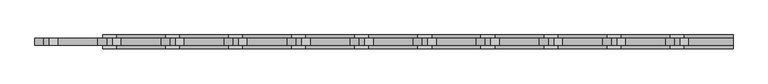
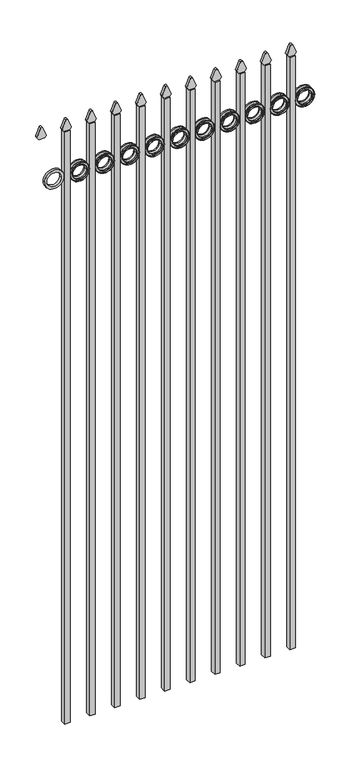
"""IFC4 building model written with IfcOpenShell, lengths in millimetres: railing geometry."""

from ifc_helpers import new_model, si_unit, point, frame, frame_2d, origin, place, context, project, spatial, polyline, circle_curve, trimmed, segment, composite_curve, outline, extrude, source, transform, mapped, element, save


def railing_f98f0d34(model_context):
    return source(origin(), model_context, "Body", "SweptSolid", [
        extrude(outline(composite_curve([segment(polyline([(2988.6798417, -22591.9399936), (2988.6798417, -22566.2493116)]), True, "CONTINUOUS"), segment(trimmed(circle_curve(frame_2d((3006.9299402, -22580.4122336)), 23.1009622), [point((2988.6798417, -22566.2493116))], [point((3001.4676176, -22557.9663545))], False, "CARTESIAN"), True, "CONTINUOUS"), segment(polyline([(3001.4676176, -22557.9663545), (3041.9555225, -22574.2855644)]), True, "CONTINUOUS"), segment(trimmed(circle_curve(frame_2d((3038.8045804, -22579.4155764)), 6.0204202), [point((3041.9555225, -22574.2855644))], [point((3041.9555225, -22584.5455884))], False, "CARTESIAN"), True, "CONTINUOUS"), segment(polyline([(3041.9555225, -22584.5455884), (3002.7339948, -22600.4937724)]), True, "CONTINUOUS"), segment(trimmed(circle_curve(frame_2d((3006.9299402, -22577.7770716)), 23.1009622), [point((3002.7339948, -22600.4937724))], [point((2988.6798417, -22591.9399936))], False, "CARTESIAN"), True, "CONTINUOUS")], self_intersect=False)), frame((0.0, 4266.569541, 0.0), z_axis=(0.0, 1.0, 0.0), x_axis=(0.0, 0.0, 1.0)), (0.0, 0.0, 1.0), 12.7),
        extrude(outline(composite_curve([segment(trimmed(circle_curve(frame_2d((2766.1853669, -22520.4442595)), 45.6988591), [point((2766.1853669, -22474.7454004))], [point((2766.1853669, -22566.1431186))], False, "CARTESIAN"), True, "CONTINUOUS"), segment(trimmed(circle_curve(frame_2d((2766.1853669, -22520.4442595)), 45.6988591), [point((2766.1853669, -22566.1431186))], [point((2766.1853669, -22474.7454004))], False, "CARTESIAN"), True, "CONTINUOUS")], self_intersect=False), holes=[composite_curve([segment(trimmed(circle_curve(frame_2d((2766.1853669, -22520.4442595)), 33.0443887), [point((2766.1853669, -22487.3998708))], [point((2766.1853669, -22553.4886482))], True, "CARTESIAN"), True, "CONTINUOUS"), segment(trimmed(circle_curve(frame_2d((2766.1853669, -22520.4442595)), 33.0443887), [point((2766.1853669, -22553.4886482))], [point((2766.1853669, -22487.3998708))], True, "CARTESIAN"), True, "CONTINUOUS")], self_intersect=False)]), frame((0.0, 4266.569541, 0.0), z_axis=(0.0, 1.0, 0.0), x_axis=(0.0, 0.0, 1.0)), (0.0, 0.0, 1.0), 12.7),
        extrude(outline(polyline([(-22591.9399936, 4285.619541), (-22566.5399936, 4285.619541), (-22566.5399936, 4260.219541), (-22591.9399936, 4260.219541), (-22591.9399936, 4285.619541)])), frame((0.0, 0.0, 50.8), z_axis=(0.0, 0.0, 1.0), x_axis=(1.0, 0.0, 0.0)), (0.0, 0.0, 1.0), 2937.6579232),
        extrude(outline(composite_curve([segment(trimmed(circle_curve(frame_2d((2766.1853669, -22520.4442595)), 45.6988591), [point((2766.1853669, -22474.7454004))], [point((2766.1853669, -22566.1431186))], False, "CARTESIAN"), True, "CONTINUOUS"), segment(trimmed(circle_curve(frame_2d((2766.1853669, -22520.4442595)), 45.6988591), [point((2766.1853669, -22566.1431186))], [point((2766.1853669, -22474.7454004))], False, "CARTESIAN"), True, "CONTINUOUS")], self_intersect=False), holes=[composite_curve([segment(trimmed(circle_curve(frame_2d((2766.1853669, -22520.4442595)), 44.101539), [point((2766.1853669, -22476.3427205))], [point((2766.1853669, -22564.5457985))], True, "CARTESIAN"), True, "CONTINUOUS"), segment(trimmed(circle_curve(frame_2d((2766.1853669, -22520.4442595)), 44.101539), [point((2766.1853669, -22564.5457985))], [point((2766.1853669, -22476.3427205))], True, "CARTESIAN"), True, "CONTINUOUS")], self_intersect=False)]), frame((0.0, 4260.219541, 0.0), z_axis=(0.0, 1.0, 0.0), x_axis=(0.0, 0.0, 1.0)), (0.0, 0.0, 1.0), 25.4),
        extrude(outline(composite_curve([segment(trimmed(circle_curve(frame_2d((2766.1853669, -22520.4442595)), 34.6370762), [point((2766.1853669, -22485.8071833))], [point((2766.1853669, -22555.0813357))], False, "CARTESIAN"), True, "CONTINUOUS"), segment(trimmed(circle_curve(frame_2d((2766.1853669, -22520.4442595)), 34.6370762), [point((2766.1853669, -22555.0813357))], [point((2766.1853669, -22485.8071833))], False, "CARTESIAN"), True, "CONTINUOUS")], self_intersect=False), holes=[composite_curve([segment(trimmed(circle_curve(frame_2d((2766.1853669, -22520.4442595)), 33.0443887), [point((2766.1853669, -22487.3998708))], [point((2766.1853669, -22553.4886482))], True, "CARTESIAN"), True, "CONTINUOUS"), segment(trimmed(circle_curve(frame_2d((2766.1853669, -22520.4442595)), 33.0443887), [point((2766.1853669, -22553.4886482))], [point((2766.1853669, -22487.3998708))], True, "CARTESIAN"), True, "CONTINUOUS")], self_intersect=False)]), frame((0.0, 4260.219541, 0.0), z_axis=(0.0, 1.0, 0.0), x_axis=(0.0, 0.0, 1.0)), (0.0, 0.0, 1.0), 25.4),
        extrude(outline(composite_curve([segment(polyline([(2988.6798417, -22709.4149936), (2988.6798417, -22683.7243116)]), True, "CONTINUOUS"), segment(trimmed(circle_curve(frame_2d((3006.9299402, -22697.8872336)), 23.1009622), [point((2988.6798417, -22683.7243116))], [point((3001.4676176, -22675.4413545))], False, "CARTESIAN"), True, "CONTINUOUS"), segment(polyline([(3001.4676176, -22675.4413545), (3041.9555225, -22691.7605644)]), True, "CONTINUOUS"), segment(trimmed(circle_curve(frame_2d((3038.8045804, -22696.8905764)), 6.0204202), [point((3041.9555225, -22691.7605644))], [point((3041.9555225, -22702.0205884))], False, "CARTESIAN"), True, "CONTINUOUS"), segment(polyline([(3041.9555225, -22702.0205884), (3002.7339948, -22717.9687724)]), True, "CONTINUOUS"), segment(trimmed(circle_curve(frame_2d((3006.9299402, -22695.2520716)), 23.1009622), [point((3002.7339948, -22717.9687724))], [point((2988.6798417, -22709.4149936))], False, "CARTESIAN"), True, "CONTINUOUS")], self_intersect=False)), frame((0.0, 4266.569541, 0.0), z_axis=(0.0, 1.0, 0.0), x_axis=(0.0, 0.0, 1.0)), (0.0, 0.0, 1.0), 12.7),
        extrude(outline(composite_curve([segment(trimmed(circle_curve(frame_2d((2766.1853669, -22637.9192595)), 45.6988591), [point((2766.1853669, -22592.2204004))], [point((2766.1853669, -22683.6181186))], False, "CARTESIAN"), True, "CONTINUOUS"), segment(trimmed(circle_curve(frame_2d((2766.1853669, -22637.9192595)), 45.6988591), [point((2766.1853669, -22683.6181186))], [point((2766.1853669, -22592.2204004))], False, "CARTESIAN"), True, "CONTINUOUS")], self_intersect=False), holes=[composite_curve([segment(trimmed(circle_curve(frame_2d((2766.1853669, -22637.9192595)), 33.0443887), [point((2766.1853669, -22604.8748708))], [point((2766.1853669, -22670.9636482))], True, "CARTESIAN"), True, "CONTINUOUS"), segment(trimmed(circle_curve(frame_2d((2766.1853669, -22637.9192595)), 33.0443887), [point((2766.1853669, -22670.9636482))], [point((2766.1853669, -22604.8748708))], True, "CARTESIAN"), True, "CONTINUOUS")], self_intersect=False)]), frame((0.0, 4266.569541, 0.0), z_axis=(0.0, 1.0, 0.0), x_axis=(0.0, 0.0, 1.0)), (0.0, 0.0, 1.0), 12.7),
        extrude(outline(polyline([(-22709.4149936, 4285.619541), (-22684.0149936, 4285.619541), (-22684.0149936, 4260.219541), (-22709.4149936, 4260.219541), (-22709.4149936, 4285.619541)])), frame((0.0, 0.0, 50.8), z_axis=(0.0, 0.0, 1.0), x_axis=(1.0, 0.0, 0.0)), (0.0, 0.0, 1.0), 2937.6579232),
        extrude(outline(composite_curve([segment(trimmed(circle_curve(frame_2d((2766.1853669, -22637.9192595)), 45.6988591), [point((2766.1853669, -22592.2204004))], [point((2766.1853669, -22683.6181186))], False, "CARTESIAN"), True, "CONTINUOUS"), segment(trimmed(circle_curve(frame_2d((2766.1853669, -22637.9192595)), 45.6988591), [point((2766.1853669, -22683.6181186))], [point((2766.1853669, -22592.2204004))], False, "CARTESIAN"), True, "CONTINUOUS")], self_intersect=False), holes=[composite_curve([segment(trimmed(circle_curve(frame_2d((2766.1853669, -22637.9192595)), 44.101539), [point((2766.1853669, -22593.8177205))], [point((2766.1853669, -22682.0207985))], True, "CARTESIAN"), True, "CONTINUOUS"), segment(trimmed(circle_curve(frame_2d((2766.1853669, -22637.9192595)), 44.101539), [point((2766.1853669, -22682.0207985))], [point((2766.1853669, -22593.8177205))], True, "CARTESIAN"), True, "CONTINUOUS")], self_intersect=False)]), frame((0.0, 4260.219541, 0.0), z_axis=(0.0, 1.0, 0.0), x_axis=(0.0, 0.0, 1.0)), (0.0, 0.0, 1.0), 25.4),
        extrude(outline(composite_curve([segment(trimmed(circle_curve(frame_2d((2766.1853669, -22637.9192595)), 34.6370762), [point((2766.1853669, -22603.2821833))], [point((2766.1853669, -22672.5563357))], False, "CARTESIAN"), True, "CONTINUOUS"), segment(trimmed(circle_curve(frame_2d((2766.1853669, -22637.9192595)), 34.6370762), [point((2766.1853669, -22672.5563357))], [point((2766.1853669, -22603.2821833))], False, "CARTESIAN"), True, "CONTINUOUS")], self_intersect=False), holes=[composite_curve([segment(trimmed(circle_curve(frame_2d((2766.1853669, -22637.9192595)), 33.0443887), [point((2766.1853669, -22604.8748708))], [point((2766.1853669, -22670.9636482))], True, "CARTESIAN"), True, "CONTINUOUS"), segment(trimmed(circle_curve(frame_2d((2766.1853669, -22637.9192595)), 33.0443887), [point((2766.1853669, -22670.9636482))], [point((2766.1853669, -22604.8748708))], True, "CARTESIAN"), True, "CONTINUOUS")], self_intersect=False)]), frame((0.0, 4260.219541, 0.0), z_axis=(0.0, 1.0, 0.0), x_axis=(0.0, 0.0, 1.0)), (0.0, 0.0, 1.0), 25.4),
        extrude(outline(composite_curve([segment(polyline([(2988.6798417, -22826.8899936), (2988.6798417, -22801.1993116)]), True, "CONTINUOUS"), segment(trimmed(circle_curve(frame_2d((3006.9299402, -22815.3622336)), 23.1009622), [point((2988.6798417, -22801.1993116))], [point((3001.4676176, -22792.9163545))], False, "CARTESIAN"), True, "CONTINUOUS"), segment(polyline([(3001.4676176, -22792.9163545), (3041.9555225, -22809.2355644)]), True, "CONTINUOUS"), segment(trimmed(circle_curve(frame_2d((3038.8045804, -22814.3655764)), 6.0204202), [point((3041.9555225, -22809.2355644))], [point((3041.9555225, -22819.4955884))], False, "CARTESIAN"), True, "CONTINUOUS"), segment(polyline([(3041.9555225, -22819.4955884), (3002.7339948, -22835.4437724)]), True, "CONTINUOUS"), segment(trimmed(circle_curve(frame_2d((3006.9299402, -22812.7270716)), 23.1009622), [point((3002.7339948, -22835.4437724))], [point((2988.6798417, -22826.8899936))], False, "CARTESIAN"), True, "CONTINUOUS")], self_intersect=False)), frame((0.0, 4266.569541, 0.0), z_axis=(0.0, 1.0, 0.0), x_axis=(0.0, 0.0, 1.0)), (0.0, 0.0, 1.0), 12.7),
        extrude(outline(composite_curve([segment(trimmed(circle_curve(frame_2d((2766.1853669, -22755.3942595)), 45.6988591), [point((2766.1853669, -22709.6954004))], [point((2766.1853669, -22801.0931186))], False, "CARTESIAN"), True, "CONTINUOUS"), segment(trimmed(circle_curve(frame_2d((2766.1853669, -22755.3942595)), 45.6988591), [point((2766.1853669, -22801.0931186))], [point((2766.1853669, -22709.6954004))], False, "CARTESIAN"), True, "CONTINUOUS")], self_intersect=False), holes=[composite_curve([segment(trimmed(circle_curve(frame_2d((2766.1853669, -22755.3942595)), 33.0443887), [point((2766.1853669, -22722.3498708))], [point((2766.1853669, -22788.4386482))], True, "CARTESIAN"), True, "CONTINUOUS"), segment(trimmed(circle_curve(frame_2d((2766.1853669, -22755.3942595)), 33.0443887), [point((2766.1853669, -22788.4386482))], [point((2766.1853669, -22722.3498708))], True, "CARTESIAN"), True, "CONTINUOUS")], self_intersect=False)]), frame((0.0, 4266.569541, 0.0), z_axis=(0.0, 1.0, 0.0), x_axis=(0.0, 0.0, 1.0)), (0.0, 0.0, 1.0), 12.7),
        extrude(outline(polyline([(-22826.8899936, 4285.619541), (-22801.4899936, 4285.619541), (-22801.4899936, 4260.219541), (-22826.8899936, 4260.219541), (-22826.8899936, 4285.619541)])), frame((0.0, 0.0, 50.8), z_axis=(0.0, 0.0, 1.0), x_axis=(1.0, 0.0, 0.0)), (0.0, 0.0, 1.0), 2937.6579232),
        extrude(outline(composite_curve([segment(trimmed(circle_curve(frame_2d((2766.1853669, -22755.3942595)), 45.6988591), [point((2766.1853669, -22709.6954004))], [point((2766.1853669, -22801.0931186))], False, "CARTESIAN"), True, "CONTINUOUS"), segment(trimmed(circle_curve(frame_2d((2766.1853669, -22755.3942595)), 45.6988591), [point((2766.1853669, -22801.0931186))], [point((2766.1853669, -22709.6954004))], False, "CARTESIAN"), True, "CONTINUOUS")], self_intersect=False), holes=[composite_curve([segment(trimmed(circle_curve(frame_2d((2766.1853669, -22755.3942595)), 44.101539), [point((2766.1853669, -22711.2927205))], [point((2766.1853669, -22799.4957985))], True, "CARTESIAN"), True, "CONTINUOUS"), segment(trimmed(circle_curve(frame_2d((2766.1853669, -22755.3942595)), 44.101539), [point((2766.1853669, -22799.4957985))], [point((2766.1853669, -22711.2927205))], True, "CARTESIAN"), True, "CONTINUOUS")], self_intersect=False)]), frame((0.0, 4260.219541, 0.0), z_axis=(0.0, 1.0, 0.0), x_axis=(0.0, 0.0, 1.0)), (0.0, 0.0, 1.0), 25.4),
        extrude(outline(composite_curve([segment(trimmed(circle_curve(frame_2d((2766.1853669, -22755.3942595)), 34.6370762), [point((2766.1853669, -22720.7571833))], [point((2766.1853669, -22790.0313357))], False, "CARTESIAN"), True, "CONTINUOUS"), segment(trimmed(circle_curve(frame_2d((2766.1853669, -22755.3942595)), 34.6370762), [point((2766.1853669, -22790.0313357))], [point((2766.1853669, -22720.7571833))], False, "CARTESIAN"), True, "CONTINUOUS")], self_intersect=False), holes=[composite_curve([segment(trimmed(circle_curve(frame_2d((2766.1853669, -22755.3942595)), 33.0443887), [point((2766.1853669, -22722.3498708))], [point((2766.1853669, -22788.4386482))], True, "CARTESIAN"), True, "CONTINUOUS"), segment(trimmed(circle_curve(frame_2d((2766.1853669, -22755.3942595)), 33.0443887), [point((2766.1853669, -22788.4386482))], [point((2766.1853669, -22722.3498708))], True, "CARTESIAN"), True, "CONTINUOUS")], self_intersect=False)]), frame((0.0, 4260.219541, 0.0), z_axis=(0.0, 1.0, 0.0), x_axis=(0.0, 0.0, 1.0)), (0.0, 0.0, 1.0), 25.4),
        extrude(outline(composite_curve([segment(polyline([(2988.6798417, -22944.3649936), (2988.6798417, -22918.6743116)]), True, "CONTINUOUS"), segment(trimmed(circle_curve(frame_2d((3006.9299402, -22932.8372336)), 23.1009622), [point((2988.6798417, -22918.6743116))], [point((3001.4676176, -22910.3913545))], False, "CARTESIAN"), True, "CONTINUOUS"), segment(polyline([(3001.4676176, -22910.3913545), (3041.9555225, -22926.7105644)]), True, "CONTINUOUS"), segment(trimmed(circle_curve(frame_2d((3038.8045804, -22931.8405764)), 6.0204202), [point((3041.9555225, -22926.7105644))], [point((3041.9555225, -22936.9705884))], False, "CARTESIAN"), True, "CONTINUOUS"), segment(polyline([(3041.9555225, -22936.9705884), (3002.7339948, -22952.9187724)]), True, "CONTINUOUS"), segment(trimmed(circle_curve(frame_2d((3006.9299402, -22930.2020716)), 23.1009622), [point((3002.7339948, -22952.9187724))], [point((2988.6798417, -22944.3649936))], False, "CARTESIAN"), True, "CONTINUOUS")], self_intersect=False)), frame((0.0, 4266.569541, 0.0), z_axis=(0.0, 1.0, 0.0), x_axis=(0.0, 0.0, 1.0)), (0.0, 0.0, 1.0), 12.7),
        extrude(outline(composite_curve([segment(trimmed(circle_curve(frame_2d((2766.1853669, -22872.8692595)), 45.6988591), [point((2766.1853669, -22827.1704004))], [point((2766.1853669, -22918.5681186))], False, "CARTESIAN"), True, "CONTINUOUS"), segment(trimmed(circle_curve(frame_2d((2766.1853669, -22872.8692595)), 45.6988591), [point((2766.1853669, -22918.5681186))], [point((2766.1853669, -22827.1704004))], False, "CARTESIAN"), True, "CONTINUOUS")], self_intersect=False), holes=[composite_curve([segment(trimmed(circle_curve(frame_2d((2766.1853669, -22872.8692595)), 33.0443887), [point((2766.1853669, -22839.8248708))], [point((2766.1853669, -22905.9136482))], True, "CARTESIAN"), True, "CONTINUOUS"), segment(trimmed(circle_curve(frame_2d((2766.1853669, -22872.8692595)), 33.0443887), [point((2766.1853669, -22905.9136482))], [point((2766.1853669, -22839.8248708))], True, "CARTESIAN"), True, "CONTINUOUS")], self_intersect=False)]), frame((0.0, 4266.569541, 0.0), z_axis=(0.0, 1.0, 0.0), x_axis=(0.0, 0.0, 1.0)), (0.0, 0.0, 1.0), 12.7),
        extrude(outline(polyline([(-22944.3649936, 4285.619541), (-22918.9649936, 4285.619541), (-22918.9649936, 4260.219541), (-22944.3649936, 4260.219541), (-22944.3649936, 4285.619541)])), frame((0.0, 0.0, 50.8), z_axis=(0.0, 0.0, 1.0), x_axis=(1.0, 0.0, 0.0)), (0.0, 0.0, 1.0), 2937.6579232),
        extrude(outline(composite_curve([segment(trimmed(circle_curve(frame_2d((2766.1853669, -22872.8692595)), 45.6988591), [point((2766.1853669, -22827.1704004))], [point((2766.1853669, -22918.5681186))], False, "CARTESIAN"), True, "CONTINUOUS"), segment(trimmed(circle_curve(frame_2d((2766.1853669, -22872.8692595)), 45.6988591), [point((2766.1853669, -22918.5681186))], [point((2766.1853669, -22827.1704004))], False, "CARTESIAN"), True, "CONTINUOUS")], self_intersect=False), holes=[composite_curve([segment(trimmed(circle_curve(frame_2d((2766.1853669, -22872.8692595)), 44.101539), [point((2766.1853669, -22828.7677205))], [point((2766.1853669, -22916.9707985))], True, "CARTESIAN"), True, "CONTINUOUS"), segment(trimmed(circle_curve(frame_2d((2766.1853669, -22872.8692595)), 44.101539), [point((2766.1853669, -22916.9707985))], [point((2766.1853669, -22828.7677205))], True, "CARTESIAN"), True, "CONTINUOUS")], self_intersect=False)]), frame((0.0, 4260.219541, 0.0), z_axis=(0.0, 1.0, 0.0), x_axis=(0.0, 0.0, 1.0)), (0.0, 0.0, 1.0), 25.4),
        extrude(outline(composite_curve([segment(trimmed(circle_curve(frame_2d((2766.1853669, -22872.8692595)), 34.6370762), [point((2766.1853669, -22838.2321833))], [point((2766.1853669, -22907.5063357))], False, "CARTESIAN"), True, "CONTINUOUS"), segment(trimmed(circle_curve(frame_2d((2766.1853669, -22872.8692595)), 34.6370762), [point((2766.1853669, -22907.5063357))], [point((2766.1853669, -22838.2321833))], False, "CARTESIAN"), True, "CONTINUOUS")], self_intersect=False), holes=[composite_curve([segment(trimmed(circle_curve(frame_2d((2766.1853669, -22872.8692595)), 33.0443887), [point((2766.1853669, -22839.8248708))], [point((2766.1853669, -22905.9136482))], True, "CARTESIAN"), True, "CONTINUOUS"), segment(trimmed(circle_curve(frame_2d((2766.1853669, -22872.8692595)), 33.0443887), [point((2766.1853669, -22905.9136482))], [point((2766.1853669, -22839.8248708))], True, "CARTESIAN"), True, "CONTINUOUS")], self_intersect=False)]), frame((0.0, 4260.219541, 0.0), z_axis=(0.0, 1.0, 0.0), x_axis=(0.0, 0.0, 1.0)), (0.0, 0.0, 1.0), 25.4),
        extrude(outline(composite_curve([segment(polyline([(2988.6798417, -23061.8399936), (2988.6798417, -23036.1493116)]), True, "CONTINUOUS"), segment(trimmed(circle_curve(frame_2d((3006.9299402, -23050.3122336)), 23.1009622), [point((2988.6798417, -23036.1493116))], [point((3001.4676176, -23027.8663545))], False, "CARTESIAN"), True, "CONTINUOUS"), segment(polyline([(3001.4676176, -23027.8663545), (3041.9555225, -23044.1855644)]), True, "CONTINUOUS"), segment(trimmed(circle_curve(frame_2d((3038.8045804, -23049.3155764)), 6.0204202), [point((3041.9555225, -23044.1855644))], [point((3041.9555225, -23054.4455884))], False, "CARTESIAN"), True, "CONTINUOUS"), segment(polyline([(3041.9555225, -23054.4455884), (3002.7339948, -23070.3937724)]), True, "CONTINUOUS"), segment(trimmed(circle_curve(frame_2d((3006.9299402, -23047.6770716)), 23.1009622), [point((3002.7339948, -23070.3937724))], [point((2988.6798417, -23061.8399936))], False, "CARTESIAN"), True, "CONTINUOUS")], self_intersect=False)), frame((0.0, 4266.569541, 0.0), z_axis=(0.0, 1.0, 0.0), x_axis=(0.0, 0.0, 1.0)), (0.0, 0.0, 1.0), 12.7),
        extrude(outline(composite_curve([segment(trimmed(circle_curve(frame_2d((2766.1853669, -22990.3442595)), 45.6988591), [point((2766.1853669, -22944.6454004))], [point((2766.1853669, -23036.0431186))], False, "CARTESIAN"), True, "CONTINUOUS"), segment(trimmed(circle_curve(frame_2d((2766.1853669, -22990.3442595)), 45.6988591), [point((2766.1853669, -23036.0431186))], [point((2766.1853669, -22944.6454004))], False, "CARTESIAN"), True, "CONTINUOUS")], self_intersect=False), holes=[composite_curve([segment(trimmed(circle_curve(frame_2d((2766.1853669, -22990.3442595)), 33.0443887), [point((2766.1853669, -22957.2998708))], [point((2766.1853669, -23023.3886482))], True, "CARTESIAN"), True, "CONTINUOUS"), segment(trimmed(circle_curve(frame_2d((2766.1853669, -22990.3442595)), 33.0443887), [point((2766.1853669, -23023.3886482))], [point((2766.1853669, -22957.2998708))], True, "CARTESIAN"), True, "CONTINUOUS")], self_intersect=False)]), frame((0.0, 4266.569541, 0.0), z_axis=(0.0, 1.0, 0.0), x_axis=(0.0, 0.0, 1.0)), (0.0, 0.0, 1.0), 12.7),
        extrude(outline(polyline([(-23061.8399936, 4285.619541), (-23036.4399936, 4285.619541), (-23036.4399936, 4260.219541), (-23061.8399936, 4260.219541), (-23061.8399936, 4285.619541)])), frame((0.0, 0.0, 50.8), z_axis=(0.0, 0.0, 1.0), x_axis=(1.0, 0.0, 0.0)), (0.0, 0.0, 1.0), 2937.6579232),
        extrude(outline(composite_curve([segment(trimmed(circle_curve(frame_2d((2766.1853669, -22990.3442595)), 45.6988591), [point((2766.1853669, -22944.6454004))], [point((2766.1853669, -23036.0431186))], False, "CARTESIAN"), True, "CONTINUOUS"), segment(trimmed(circle_curve(frame_2d((2766.1853669, -22990.3442595)), 45.6988591), [point((2766.1853669, -23036.0431186))], [point((2766.1853669, -22944.6454004))], False, "CARTESIAN"), True, "CONTINUOUS")], self_intersect=False), holes=[composite_curve([segment(trimmed(circle_curve(frame_2d((2766.1853669, -22990.3442595)), 44.101539), [point((2766.1853669, -22946.2427205))], [point((2766.1853669, -23034.4457985))], True, "CARTESIAN"), True, "CONTINUOUS"), segment(trimmed(circle_curve(frame_2d((2766.1853669, -22990.3442595)), 44.101539), [point((2766.1853669, -23034.4457985))], [point((2766.1853669, -22946.2427205))], True, "CARTESIAN"), True, "CONTINUOUS")], self_intersect=False)]), frame((0.0, 4260.219541, 0.0), z_axis=(0.0, 1.0, 0.0), x_axis=(0.0, 0.0, 1.0)), (0.0, 0.0, 1.0), 25.4),
        extrude(outline(composite_curve([segment(trimmed(circle_curve(frame_2d((2766.1853669, -22990.3442595)), 34.6370762), [point((2766.1853669, -22955.7071833))], [point((2766.1853669, -23024.9813357))], False, "CARTESIAN"), True, "CONTINUOUS"), segment(trimmed(circle_curve(frame_2d((2766.1853669, -22990.3442595)), 34.6370762), [point((2766.1853669, -23024.9813357))], [point((2766.1853669, -22955.7071833))], False, "CARTESIAN"), True, "CONTINUOUS")], self_intersect=False), holes=[composite_curve([segment(trimmed(circle_curve(frame_2d((2766.1853669, -22990.3442595)), 33.0443887), [point((2766.1853669, -22957.2998708))], [point((2766.1853669, -23023.3886482))], True, "CARTESIAN"), True, "CONTINUOUS"), segment(trimmed(circle_curve(frame_2d((2766.1853669, -22990.3442595)), 33.0443887), [point((2766.1853669, -23023.3886482))], [point((2766.1853669, -22957.2998708))], True, "CARTESIAN"), True, "CONTINUOUS")], self_intersect=False)]), frame((0.0, 4260.219541, 0.0), z_axis=(0.0, 1.0, 0.0), x_axis=(0.0, 0.0, 1.0)), (0.0, 0.0, 1.0), 25.4),
        extrude(outline(composite_curve([segment(polyline([(2988.6798417, -23179.3149936), (2988.6798417, -23153.6243116)]), True, "CONTINUOUS"), segment(trimmed(circle_curve(frame_2d((3006.9299402, -23167.7872336)), 23.1009622), [point((2988.6798417, -23153.6243116))], [point((3001.4676176, -23145.3413545))], False, "CARTESIAN"), True, "CONTINUOUS"), segment(polyline([(3001.4676176, -23145.3413545), (3041.9555225, -23161.6605644)]), True, "CONTINUOUS"), segment(trimmed(circle_curve(frame_2d((3038.8045804, -23166.7905764)), 6.0204202), [point((3041.9555225, -23161.6605644))], [point((3041.9555225, -23171.9205884))], False, "CARTESIAN"), True, "CONTINUOUS"), segment(polyline([(3041.9555225, -23171.9205884), (3002.7339948, -23187.8687724)]), True, "CONTINUOUS"), segment(trimmed(circle_curve(frame_2d((3006.9299402, -23165.1520716)), 23.1009622), [point((3002.7339948, -23187.8687724))], [point((2988.6798417, -23179.3149936))], False, "CARTESIAN"), True, "CONTINUOUS")], self_intersect=False)), frame((0.0, 4266.569541, 0.0), z_axis=(0.0, 1.0, 0.0), x_axis=(0.0, 0.0, 1.0)), (0.0, 0.0, 1.0), 12.7),
        extrude(outline(composite_curve([segment(trimmed(circle_curve(frame_2d((2766.1853669, -23107.8192595)), 45.6988591), [point((2766.1853669, -23062.1204004))], [point((2766.1853669, -23153.5181186))], False, "CARTESIAN"), True, "CONTINUOUS"), segment(trimmed(circle_curve(frame_2d((2766.1853669, -23107.8192595)), 45.6988591), [point((2766.1853669, -23153.5181186))], [point((2766.1853669, -23062.1204004))], False, "CARTESIAN"), True, "CONTINUOUS")], self_intersect=False), holes=[composite_curve([segment(trimmed(circle_curve(frame_2d((2766.1853669, -23107.8192595)), 33.0443887), [point((2766.1853669, -23074.7748708))], [point((2766.1853669, -23140.8636482))], True, "CARTESIAN"), True, "CONTINUOUS"), segment(trimmed(circle_curve(frame_2d((2766.1853669, -23107.8192595)), 33.0443887), [point((2766.1853669, -23140.8636482))], [point((2766.1853669, -23074.7748708))], True, "CARTESIAN"), True, "CONTINUOUS")], self_intersect=False)]), frame((0.0, 4266.569541, 0.0), z_axis=(0.0, 1.0, 0.0), x_axis=(0.0, 0.0, 1.0)), (0.0, 0.0, 1.0), 12.7),
        extrude(outline(polyline([(-23179.3149936, 4285.619541), (-23153.9149936, 4285.619541), (-23153.9149936, 4260.219541), (-23179.3149936, 4260.219541), (-23179.3149936, 4285.619541)])), frame((0.0, 0.0, 50.8), z_axis=(0.0, 0.0, 1.0), x_axis=(1.0, 0.0, 0.0)), (0.0, 0.0, 1.0), 2937.6579232),
        extrude(outline(composite_curve([segment(trimmed(circle_curve(frame_2d((2766.1853669, -23107.8192595)), 45.6988591), [point((2766.1853669, -23062.1204004))], [point((2766.1853669, -23153.5181186))], False, "CARTESIAN"), True, "CONTINUOUS"), segment(trimmed(circle_curve(frame_2d((2766.1853669, -23107.8192595)), 45.6988591), [point((2766.1853669, -23153.5181186))], [point((2766.1853669, -23062.1204004))], False, "CARTESIAN"), True, "CONTINUOUS")], self_intersect=False), holes=[composite_curve([segment(trimmed(circle_curve(frame_2d((2766.1853669, -23107.8192595)), 44.101539), [point((2766.1853669, -23063.7177205))], [point((2766.1853669, -23151.9207985))], True, "CARTESIAN"), True, "CONTINUOUS"), segment(trimmed(circle_curve(frame_2d((2766.1853669, -23107.8192595)), 44.101539), [point((2766.1853669, -23151.9207985))], [point((2766.1853669, -23063.7177205))], True, "CARTESIAN"), True, "CONTINUOUS")], self_intersect=False)]), frame((0.0, 4260.219541, 0.0), z_axis=(0.0, 1.0, 0.0), x_axis=(0.0, 0.0, 1.0)), (0.0, 0.0, 1.0), 25.4),
        extrude(outline(composite_curve([segment(trimmed(circle_curve(frame_2d((2766.1853669, -23107.8192595)), 34.6370762), [point((2766.1853669, -23073.1821833))], [point((2766.1853669, -23142.4563357))], False, "CARTESIAN"), True, "CONTINUOUS"), segment(trimmed(circle_curve(frame_2d((2766.1853669, -23107.8192595)), 34.6370762), [point((2766.1853669, -23142.4563357))], [point((2766.1853669, -23073.1821833))], False, "CARTESIAN"), True, "CONTINUOUS")], self_intersect=False), holes=[composite_curve([segment(trimmed(circle_curve(frame_2d((2766.1853669, -23107.8192595)), 33.0443887), [point((2766.1853669, -23074.7748708))], [point((2766.1853669, -23140.8636482))], True, "CARTESIAN"), True, "CONTINUOUS"), segment(trimmed(circle_curve(frame_2d((2766.1853669, -23107.8192595)), 33.0443887), [point((2766.1853669, -23140.8636482))], [point((2766.1853669, -23074.7748708))], True, "CARTESIAN"), True, "CONTINUOUS")], self_intersect=False)]), frame((0.0, 4260.219541, 0.0), z_axis=(0.0, 1.0, 0.0), x_axis=(0.0, 0.0, 1.0)), (0.0, 0.0, 1.0), 25.4),
        extrude(outline(composite_curve([segment(polyline([(2988.6798417, -23296.7899936), (2988.6798417, -23271.0993116)]), True, "CONTINUOUS"), segment(trimmed(circle_curve(frame_2d((3006.9299402, -23285.2622336)), 23.1009622), [point((2988.6798417, -23271.0993116))], [point((3001.4676176, -23262.8163545))], False, "CARTESIAN"), True, "CONTINUOUS"), segment(polyline([(3001.4676176, -23262.8163545), (3041.9555225, -23279.1355644)]), True, "CONTINUOUS"), segment(trimmed(circle_curve(frame_2d((3038.8045804, -23284.2655764)), 6.0204202), [point((3041.9555225, -23279.1355644))], [point((3041.9555225, -23289.3955884))], False, "CARTESIAN"), True, "CONTINUOUS"), segment(polyline([(3041.9555225, -23289.3955884), (3002.7339948, -23305.3437724)]), True, "CONTINUOUS"), segment(trimmed(circle_curve(frame_2d((3006.9299402, -23282.6270716)), 23.1009622), [point((3002.7339948, -23305.3437724))], [point((2988.6798417, -23296.7899936))], False, "CARTESIAN"), True, "CONTINUOUS")], self_intersect=False)), frame((0.0, 4266.569541, 0.0), z_axis=(0.0, 1.0, 0.0), x_axis=(0.0, 0.0, 1.0)), (0.0, 0.0, 1.0), 12.7),
        extrude(outline(composite_curve([segment(trimmed(circle_curve(frame_2d((2766.1853669, -23225.2942595)), 45.6988591), [point((2766.1853669, -23179.5954004))], [point((2766.1853669, -23270.9931186))], False, "CARTESIAN"), True, "CONTINUOUS"), segment(trimmed(circle_curve(frame_2d((2766.1853669, -23225.2942595)), 45.6988591), [point((2766.1853669, -23270.9931186))], [point((2766.1853669, -23179.5954004))], False, "CARTESIAN"), True, "CONTINUOUS")], self_intersect=False), holes=[composite_curve([segment(trimmed(circle_curve(frame_2d((2766.1853669, -23225.2942595)), 33.0443887), [point((2766.1853669, -23192.2498708))], [point((2766.1853669, -23258.3386482))], True, "CARTESIAN"), True, "CONTINUOUS"), segment(trimmed(circle_curve(frame_2d((2766.1853669, -23225.2942595)), 33.0443887), [point((2766.1853669, -23258.3386482))], [point((2766.1853669, -23192.2498708))], True, "CARTESIAN"), True, "CONTINUOUS")], self_intersect=False)]), frame((0.0, 4266.569541, 0.0), z_axis=(0.0, 1.0, 0.0), x_axis=(0.0, 0.0, 1.0)), (0.0, 0.0, 1.0), 12.7),
        extrude(outline(polyline([(-23296.7899936, 4285.619541), (-23271.3899936, 4285.619541), (-23271.3899936, 4260.219541), (-23296.7899936, 4260.219541), (-23296.7899936, 4285.619541)])), frame((0.0, 0.0, 50.8), z_axis=(0.0, 0.0, 1.0), x_axis=(1.0, 0.0, 0.0)), (0.0, 0.0, 1.0), 2937.6579232),
        extrude(outline(composite_curve([segment(trimmed(circle_curve(frame_2d((2766.1853669, -23225.2942595)), 45.6988591), [point((2766.1853669, -23179.5954004))], [point((2766.1853669, -23270.9931186))], False, "CARTESIAN"), True, "CONTINUOUS"), segment(trimmed(circle_curve(frame_2d((2766.1853669, -23225.2942595)), 45.6988591), [point((2766.1853669, -23270.9931186))], [point((2766.1853669, -23179.5954004))], False, "CARTESIAN"), True, "CONTINUOUS")], self_intersect=False), holes=[composite_curve([segment(trimmed(circle_curve(frame_2d((2766.1853669, -23225.2942595)), 44.101539), [point((2766.1853669, -23181.1927205))], [point((2766.1853669, -23269.3957985))], True, "CARTESIAN"), True, "CONTINUOUS"), segment(trimmed(circle_curve(frame_2d((2766.1853669, -23225.2942595)), 44.101539), [point((2766.1853669, -23269.3957985))], [point((2766.1853669, -23181.1927205))], True, "CARTESIAN"), True, "CONTINUOUS")], self_intersect=False)]), frame((0.0, 4260.219541, 0.0), z_axis=(0.0, 1.0, 0.0), x_axis=(0.0, 0.0, 1.0)), (0.0, 0.0, 1.0), 25.4),
        extrude(outline(composite_curve([segment(trimmed(circle_curve(frame_2d((2766.1853669, -23225.2942595)), 34.6370762), [point((2766.1853669, -23190.6571833))], [point((2766.1853669, -23259.9313357))], False, "CARTESIAN"), True, "CONTINUOUS"), segment(trimmed(circle_curve(frame_2d((2766.1853669, -23225.2942595)), 34.6370762), [point((2766.1853669, -23259.9313357))], [point((2766.1853669, -23190.6571833))], False, "CARTESIAN"), True, "CONTINUOUS")], self_intersect=False), holes=[composite_curve([segment(trimmed(circle_curve(frame_2d((2766.1853669, -23225.2942595)), 33.0443887), [point((2766.1853669, -23192.2498708))], [point((2766.1853669, -23258.3386482))], True, "CARTESIAN"), True, "CONTINUOUS"), segment(trimmed(circle_curve(frame_2d((2766.1853669, -23225.2942595)), 33.0443887), [point((2766.1853669, -23258.3386482))], [point((2766.1853669, -23192.2498708))], True, "CARTESIAN"), True, "CONTINUOUS")], self_intersect=False)]), frame((0.0, 4260.219541, 0.0), z_axis=(0.0, 1.0, 0.0), x_axis=(0.0, 0.0, 1.0)), (0.0, 0.0, 1.0), 25.4),
        extrude(outline(composite_curve([segment(polyline([(2988.6798417, -23414.2649936), (2988.6798417, -23388.5743116)]), True, "CONTINUOUS"), segment(trimmed(circle_curve(frame_2d((3006.9299402, -23402.7372336)), 23.1009622), [point((2988.6798417, -23388.5743116))], [point((3001.4676176, -23380.2913545))], False, "CARTESIAN"), True, "CONTINUOUS"), segment(polyline([(3001.4676176, -23380.2913545), (3041.9555225, -23396.6105644)]), True, "CONTINUOUS"), segment(trimmed(circle_curve(frame_2d((3038.8045804, -23401.7405764)), 6.0204202), [point((3041.9555225, -23396.6105644))], [point((3041.9555225, -23406.8705884))], False, "CARTESIAN"), True, "CONTINUOUS"), segment(polyline([(3041.9555225, -23406.8705884), (3002.7339948, -23422.8187724)]), True, "CONTINUOUS"), segment(trimmed(circle_curve(frame_2d((3006.9299402, -23400.1020716)), 23.1009622), [point((3002.7339948, -23422.8187724))], [point((2988.6798417, -23414.2649936))], False, "CARTESIAN"), True, "CONTINUOUS")], self_intersect=False)), frame((0.0, 4266.569541, 0.0), z_axis=(0.0, 1.0, 0.0), x_axis=(0.0, 0.0, 1.0)), (0.0, 0.0, 1.0), 12.7),
        extrude(outline(composite_curve([segment(trimmed(circle_curve(frame_2d((2766.1853669, -23342.7692595)), 45.6988591), [point((2766.1853669, -23297.0704004))], [point((2766.1853669, -23388.4681186))], False, "CARTESIAN"), True, "CONTINUOUS"), segment(trimmed(circle_curve(frame_2d((2766.1853669, -23342.7692595)), 45.6988591), [point((2766.1853669, -23388.4681186))], [point((2766.1853669, -23297.0704004))], False, "CARTESIAN"), True, "CONTINUOUS")], self_intersect=False), holes=[composite_curve([segment(trimmed(circle_curve(frame_2d((2766.1853669, -23342.7692595)), 33.0443887), [point((2766.1853669, -23309.7248708))], [point((2766.1853669, -23375.8136482))], True, "CARTESIAN"), True, "CONTINUOUS"), segment(trimmed(circle_curve(frame_2d((2766.1853669, -23342.7692595)), 33.0443887), [point((2766.1853669, -23375.8136482))], [point((2766.1853669, -23309.7248708))], True, "CARTESIAN"), True, "CONTINUOUS")], self_intersect=False)]), frame((0.0, 4266.569541, 0.0), z_axis=(0.0, 1.0, 0.0), x_axis=(0.0, 0.0, 1.0)), (0.0, 0.0, 1.0), 12.7),
        extrude(outline(polyline([(-23414.2649936, 4285.619541), (-23388.8649936, 4285.619541), (-23388.8649936, 4260.219541), (-23414.2649936, 4260.219541), (-23414.2649936, 4285.619541)])), frame((0.0, 0.0, 50.8), z_axis=(0.0, 0.0, 1.0), x_axis=(1.0, 0.0, 0.0)), (0.0, 0.0, 1.0), 2937.6579232),
        extrude(outline(composite_curve([segment(trimmed(circle_curve(frame_2d((2766.1853669, -23342.7692595)), 45.6988591), [point((2766.1853669, -23297.0704004))], [point((2766.1853669, -23388.4681186))], False, "CARTESIAN"), True, "CONTINUOUS"), segment(trimmed(circle_curve(frame_2d((2766.1853669, -23342.7692595)), 45.6988591), [point((2766.1853669, -23388.4681186))], [point((2766.1853669, -23297.0704004))], False, "CARTESIAN"), True, "CONTINUOUS")], self_intersect=False), holes=[composite_curve([segment(trimmed(circle_curve(frame_2d((2766.1853669, -23342.7692595)), 44.101539), [point((2766.1853669, -23298.6677205))], [point((2766.1853669, -23386.8707985))], True, "CARTESIAN"), True, "CONTINUOUS"), segment(trimmed(circle_curve(frame_2d((2766.1853669, -23342.7692595)), 44.101539), [point((2766.1853669, -23386.8707985))], [point((2766.1853669, -23298.6677205))], True, "CARTESIAN"), True, "CONTINUOUS")], self_intersect=False)]), frame((0.0, 4260.219541, 0.0), z_axis=(0.0, 1.0, 0.0), x_axis=(0.0, 0.0, 1.0)), (0.0, 0.0, 1.0), 25.4),
        extrude(outline(composite_curve([segment(trimmed(circle_curve(frame_2d((2766.1853669, -23342.7692595)), 34.6370762), [point((2766.1853669, -23308.1321833))], [point((2766.1853669, -23377.4063357))], False, "CARTESIAN"), True, "CONTINUOUS"), segment(trimmed(circle_curve(frame_2d((2766.1853669, -23342.7692595)), 34.6370762), [point((2766.1853669, -23377.4063357))], [point((2766.1853669, -23308.1321833))], False, "CARTESIAN"), True, "CONTINUOUS")], self_intersect=False), holes=[composite_curve([segment(trimmed(circle_curve(frame_2d((2766.1853669, -23342.7692595)), 33.0443887), [point((2766.1853669, -23309.7248708))], [point((2766.1853669, -23375.8136482))], True, "CARTESIAN"), True, "CONTINUOUS"), segment(trimmed(circle_curve(frame_2d((2766.1853669, -23342.7692595)), 33.0443887), [point((2766.1853669, -23375.8136482))], [point((2766.1853669, -23309.7248708))], True, "CARTESIAN"), True, "CONTINUOUS")], self_intersect=False)]), frame((0.0, 4260.219541, 0.0), z_axis=(0.0, 1.0, 0.0), x_axis=(0.0, 0.0, 1.0)), (0.0, 0.0, 1.0), 25.4),
        extrude(outline(composite_curve([segment(polyline([(2988.6798417, -23531.7399936), (2988.6798417, -23506.0493116)]), True, "CONTINUOUS"), segment(trimmed(circle_curve(frame_2d((3006.9299402, -23520.2122336)), 23.1009622), [point((2988.6798417, -23506.0493116))], [point((3001.4676176, -23497.7663545))], False, "CARTESIAN"), True, "CONTINUOUS"), segment(polyline([(3001.4676176, -23497.7663545), (3041.9555225, -23514.0855644)]), True, "CONTINUOUS"), segment(trimmed(circle_curve(frame_2d((3038.8045804, -23519.2155764)), 6.0204202), [point((3041.9555225, -23514.0855644))], [point((3041.9555225, -23524.3455884))], False, "CARTESIAN"), True, "CONTINUOUS"), segment(polyline([(3041.9555225, -23524.3455884), (3002.7339948, -23540.2937724)]), True, "CONTINUOUS"), segment(trimmed(circle_curve(frame_2d((3006.9299402, -23517.5770716)), 23.1009622), [point((3002.7339948, -23540.2937724))], [point((2988.6798417, -23531.7399936))], False, "CARTESIAN"), True, "CONTINUOUS")], self_intersect=False)), frame((0.0, 4266.569541, 0.0), z_axis=(0.0, 1.0, 0.0), x_axis=(0.0, 0.0, 1.0)), (0.0, 0.0, 1.0), 12.7),
        extrude(outline(composite_curve([segment(trimmed(circle_curve(frame_2d((2766.1853669, -23460.2442595)), 45.6988591), [point((2766.1853669, -23414.5454004))], [point((2766.1853669, -23505.9431186))], False, "CARTESIAN"), True, "CONTINUOUS"), segment(trimmed(circle_curve(frame_2d((2766.1853669, -23460.2442595)), 45.6988591), [point((2766.1853669, -23505.9431186))], [point((2766.1853669, -23414.5454004))], False, "CARTESIAN"), True, "CONTINUOUS")], self_intersect=False), holes=[composite_curve([segment(trimmed(circle_curve(frame_2d((2766.1853669, -23460.2442595)), 33.0443887), [point((2766.1853669, -23427.1998708))], [point((2766.1853669, -23493.2886482))], True, "CARTESIAN"), True, "CONTINUOUS"), segment(trimmed(circle_curve(frame_2d((2766.1853669, -23460.2442595)), 33.0443887), [point((2766.1853669, -23493.2886482))], [point((2766.1853669, -23427.1998708))], True, "CARTESIAN"), True, "CONTINUOUS")], self_intersect=False)]), frame((0.0, 4266.569541, 0.0), z_axis=(0.0, 1.0, 0.0), x_axis=(0.0, 0.0, 1.0)), (0.0, 0.0, 1.0), 12.7),
        extrude(outline(polyline([(-23531.7399936, 4285.619541), (-23506.3399936, 4285.619541), (-23506.3399936, 4260.219541), (-23531.7399936, 4260.219541), (-23531.7399936, 4285.619541)])), frame((0.0, 0.0, 50.8), z_axis=(0.0, 0.0, 1.0), x_axis=(1.0, 0.0, 0.0)), (0.0, 0.0, 1.0), 2937.6579232),
        extrude(outline(composite_curve([segment(trimmed(circle_curve(frame_2d((2766.1853669, -23460.2442595)), 45.6988591), [point((2766.1853669, -23414.5454004))], [point((2766.1853669, -23505.9431186))], False, "CARTESIAN"), True, "CONTINUOUS"), segment(trimmed(circle_curve(frame_2d((2766.1853669, -23460.2442595)), 45.6988591), [point((2766.1853669, -23505.9431186))], [point((2766.1853669, -23414.5454004))], False, "CARTESIAN"), True, "CONTINUOUS")], self_intersect=False), holes=[composite_curve([segment(trimmed(circle_curve(frame_2d((2766.1853669, -23460.2442595)), 44.101539), [point((2766.1853669, -23416.1427205))], [point((2766.1853669, -23504.3457985))], True, "CARTESIAN"), True, "CONTINUOUS"), segment(trimmed(circle_curve(frame_2d((2766.1853669, -23460.2442595)), 44.101539), [point((2766.1853669, -23504.3457985))], [point((2766.1853669, -23416.1427205))], True, "CARTESIAN"), True, "CONTINUOUS")], self_intersect=False)]), frame((0.0, 4260.219541, 0.0), z_axis=(0.0, 1.0, 0.0), x_axis=(0.0, 0.0, 1.0)), (0.0, 0.0, 1.0), 25.4),
        extrude(outline(composite_curve([segment(trimmed(circle_curve(frame_2d((2766.1853669, -23460.2442595)), 34.6370762), [point((2766.1853669, -23425.6071833))], [point((2766.1853669, -23494.8813357))], False, "CARTESIAN"), True, "CONTINUOUS"), segment(trimmed(circle_curve(frame_2d((2766.1853669, -23460.2442595)), 34.6370762), [point((2766.1853669, -23494.8813357))], [point((2766.1853669, -23425.6071833))], False, "CARTESIAN"), True, "CONTINUOUS")], self_intersect=False), holes=[composite_curve([segment(trimmed(circle_curve(frame_2d((2766.1853669, -23460.2442595)), 33.0443887), [point((2766.1853669, -23427.1998708))], [point((2766.1853669, -23493.2886482))], True, "CARTESIAN"), True, "CONTINUOUS"), segment(trimmed(circle_curve(frame_2d((2766.1853669, -23460.2442595)), 33.0443887), [point((2766.1853669, -23493.2886482))], [point((2766.1853669, -23427.1998708))], True, "CARTESIAN"), True, "CONTINUOUS")], self_intersect=False)]), frame((0.0, 4260.219541, 0.0), z_axis=(0.0, 1.0, 0.0), x_axis=(0.0, 0.0, 1.0)), (0.0, 0.0, 1.0), 25.4),
        extrude(outline(composite_curve([segment(polyline([(2988.6798417, -23649.2149936), (2988.6798417, -23623.5243116)]), True, "CONTINUOUS"), segment(trimmed(circle_curve(frame_2d((3006.9299402, -23637.6872336)), 23.1009622), [point((2988.6798417, -23623.5243116))], [point((3001.4676176, -23615.2413545))], False, "CARTESIAN"), True, "CONTINUOUS"), segment(polyline([(3001.4676176, -23615.2413545), (3041.9555225, -23631.5605644)]), True, "CONTINUOUS"), segment(trimmed(circle_curve(frame_2d((3038.8045804, -23636.6905764)), 6.0204202), [point((3041.9555225, -23631.5605644))], [point((3041.9555225, -23641.8205884))], False, "CARTESIAN"), True, "CONTINUOUS"), segment(polyline([(3041.9555225, -23641.8205884), (3002.7339948, -23657.7687724)]), True, "CONTINUOUS"), segment(trimmed(circle_curve(frame_2d((3006.9299402, -23635.0520716)), 23.1009622), [point((3002.7339948, -23657.7687724))], [point((2988.6798417, -23649.2149936))], False, "CARTESIAN"), True, "CONTINUOUS")], self_intersect=False)), frame((0.0, 4266.569541, 0.0), z_axis=(0.0, 1.0, 0.0), x_axis=(0.0, 0.0, 1.0)), (0.0, 0.0, 1.0), 12.7),
        extrude(outline(composite_curve([segment(trimmed(circle_curve(frame_2d((2766.1853669, -23577.7192595)), 45.6988591), [point((2766.1853669, -23532.0204004))], [point((2766.1853669, -23623.4181186))], False, "CARTESIAN"), True, "CONTINUOUS"), segment(trimmed(circle_curve(frame_2d((2766.1853669, -23577.7192595)), 45.6988591), [point((2766.1853669, -23623.4181186))], [point((2766.1853669, -23532.0204004))], False, "CARTESIAN"), True, "CONTINUOUS")], self_intersect=False), holes=[composite_curve([segment(trimmed(circle_curve(frame_2d((2766.1853669, -23577.7192595)), 33.0443887), [point((2766.1853669, -23544.6748708))], [point((2766.1853669, -23610.7636482))], True, "CARTESIAN"), True, "CONTINUOUS"), segment(trimmed(circle_curve(frame_2d((2766.1853669, -23577.7192595)), 33.0443887), [point((2766.1853669, -23610.7636482))], [point((2766.1853669, -23544.6748708))], True, "CARTESIAN"), True, "CONTINUOUS")], self_intersect=False)]), frame((0.0, 4266.569541, 0.0), z_axis=(0.0, 1.0, 0.0), x_axis=(0.0, 0.0, 1.0)), (0.0, 0.0, 1.0), 12.7),
        extrude(outline(polyline([(-23649.2149936, 4285.619541), (-23623.8149936, 4285.619541), (-23623.8149936, 4260.219541), (-23649.2149936, 4260.219541), (-23649.2149936, 4285.619541)])), frame((0.0, 0.0, 50.8), z_axis=(0.0, 0.0, 1.0), x_axis=(1.0, 0.0, 0.0)), (0.0, 0.0, 1.0), 2937.6579232),
        extrude(outline(composite_curve([segment(trimmed(circle_curve(frame_2d((2766.1853669, -23577.7192595)), 45.6988591), [point((2766.1853669, -23532.0204004))], [point((2766.1853669, -23623.4181186))], False, "CARTESIAN"), True, "CONTINUOUS"), segment(trimmed(circle_curve(frame_2d((2766.1853669, -23577.7192595)), 45.6988591), [point((2766.1853669, -23623.4181186))], [point((2766.1853669, -23532.0204004))], False, "CARTESIAN"), True, "CONTINUOUS")], self_intersect=False), holes=[composite_curve([segment(trimmed(circle_curve(frame_2d((2766.1853669, -23577.7192595)), 44.101539), [point((2766.1853669, -23533.6177205))], [point((2766.1853669, -23621.8207985))], True, "CARTESIAN"), True, "CONTINUOUS"), segment(trimmed(circle_curve(frame_2d((2766.1853669, -23577.7192595)), 44.101539), [point((2766.1853669, -23621.8207985))], [point((2766.1853669, -23533.6177205))], True, "CARTESIAN"), True, "CONTINUOUS")], self_intersect=False)]), frame((0.0, 4260.219541, 0.0), z_axis=(0.0, 1.0, 0.0), x_axis=(0.0, 0.0, 1.0)), (0.0, 0.0, 1.0), 25.4),
        extrude(outline(composite_curve([segment(trimmed(circle_curve(frame_2d((2766.1853669, -23577.7192595)), 34.6370762), [point((2766.1853669, -23543.0821833))], [point((2766.1853669, -23612.3563357))], False, "CARTESIAN"), True, "CONTINUOUS"), segment(trimmed(circle_curve(frame_2d((2766.1853669, -23577.7192595)), 34.6370762), [point((2766.1853669, -23612.3563357))], [point((2766.1853669, -23543.0821833))], False, "CARTESIAN"), True, "CONTINUOUS")], self_intersect=False), holes=[composite_curve([segment(trimmed(circle_curve(frame_2d((2766.1853669, -23577.7192595)), 33.0443887), [point((2766.1853669, -23544.6748708))], [point((2766.1853669, -23610.7636482))], True, "CARTESIAN"), True, "CONTINUOUS"), segment(trimmed(circle_curve(frame_2d((2766.1853669, -23577.7192595)), 33.0443887), [point((2766.1853669, -23610.7636482))], [point((2766.1853669, -23544.6748708))], True, "CARTESIAN"), True, "CONTINUOUS")], self_intersect=False)]), frame((0.0, 4260.219541, 0.0), z_axis=(0.0, 1.0, 0.0), x_axis=(0.0, 0.0, 1.0)), (0.0, 0.0, 1.0), 25.4),
        extrude(outline(composite_curve([segment(polyline([(2988.6798417, -23766.6899936), (2988.6798417, -23740.9993116)]), True, "CONTINUOUS"), segment(trimmed(circle_curve(frame_2d((3006.9299402, -23755.1622336)), 23.1009622), [point((2988.6798417, -23740.9993116))], [point((3001.4676176, -23732.7163545))], False, "CARTESIAN"), True, "CONTINUOUS"), segment(polyline([(3001.4676176, -23732.7163545), (3041.9555225, -23749.0355644)]), True, "CONTINUOUS"), segment(trimmed(circle_curve(frame_2d((3038.8045804, -23754.1655764)), 6.0204202), [point((3041.9555225, -23749.0355644))], [point((3041.9555225, -23759.2955884))], False, "CARTESIAN"), True, "CONTINUOUS"), segment(polyline([(3041.9555225, -23759.2955884), (3002.7339948, -23775.2437724)]), True, "CONTINUOUS"), segment(trimmed(circle_curve(frame_2d((3006.9299402, -23752.5270716)), 23.1009622), [point((3002.7339948, -23775.2437724))], [point((2988.6798417, -23766.6899936))], False, "CARTESIAN"), True, "CONTINUOUS")], self_intersect=False)), frame((0.0, 4266.569541, 0.0), z_axis=(0.0, 1.0, 0.0), x_axis=(0.0, 0.0, 1.0)), (0.0, 0.0, 1.0), 12.7),
        extrude(outline(composite_curve([segment(trimmed(circle_curve(frame_2d((2766.1853669, -23695.1942595)), 45.6988591), [point((2766.1853669, -23649.4954004))], [point((2766.1853669, -23740.8931186))], False, "CARTESIAN"), True, "CONTINUOUS"), segment(trimmed(circle_curve(frame_2d((2766.1853669, -23695.1942595)), 45.6988591), [point((2766.1853669, -23740.8931186))], [point((2766.1853669, -23649.4954004))], False, "CARTESIAN"), True, "CONTINUOUS")], self_intersect=False), holes=[composite_curve([segment(trimmed(circle_curve(frame_2d((2766.1853669, -23695.1942595)), 33.0443887), [point((2766.1853669, -23662.1498708))], [point((2766.1853669, -23728.2386482))], True, "CARTESIAN"), True, "CONTINUOUS"), segment(trimmed(circle_curve(frame_2d((2766.1853669, -23695.1942595)), 33.0443887), [point((2766.1853669, -23728.2386482))], [point((2766.1853669, -23662.1498708))], True, "CARTESIAN"), True, "CONTINUOUS")], self_intersect=False)]), frame((0.0, 4266.569541, 0.0), z_axis=(0.0, 1.0, 0.0), x_axis=(0.0, 0.0, 1.0)), (0.0, 0.0, 1.0), 12.7),
    ])


if __name__ == "__main__":
    model = new_model("IFC4")
    model_context = context("Model", 3, world=origin())
    ifc_project = project(units=[si_unit("LENGTHUNIT", "METRE", prefix="MILLI")], contexts=[model_context])
    site = spatial("IfcSite", under=ifc_project)
    building = spatial("IfcBuilding", under=site)
    placement = place(None, origin())
    railing_shape = railing_f98f0d34(model_context)
    element("IfcRailing", 1, at=placement, inside=building, context=model_context, shape_type="MappedRepresentation", body=[
        mapped(railing_shape, transform((0.0, 0.0, 0.0), x_axis=(1.0, 0.0, 0.0), y_axis=(0.0, 1.0, 0.0), z_axis=(0.0, 0.0, 1.0))),
    ])
    save(model, "model.ifc")
